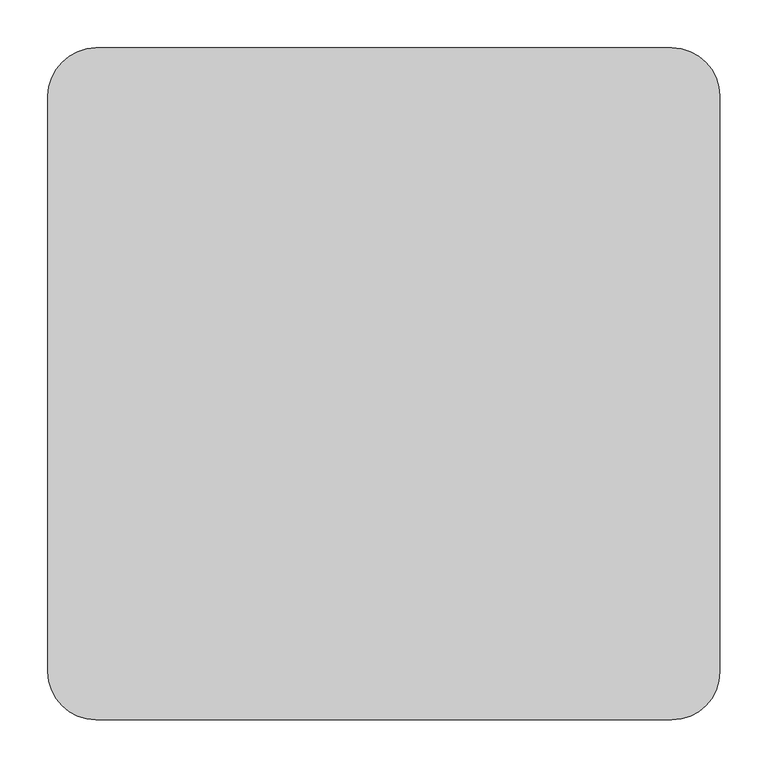
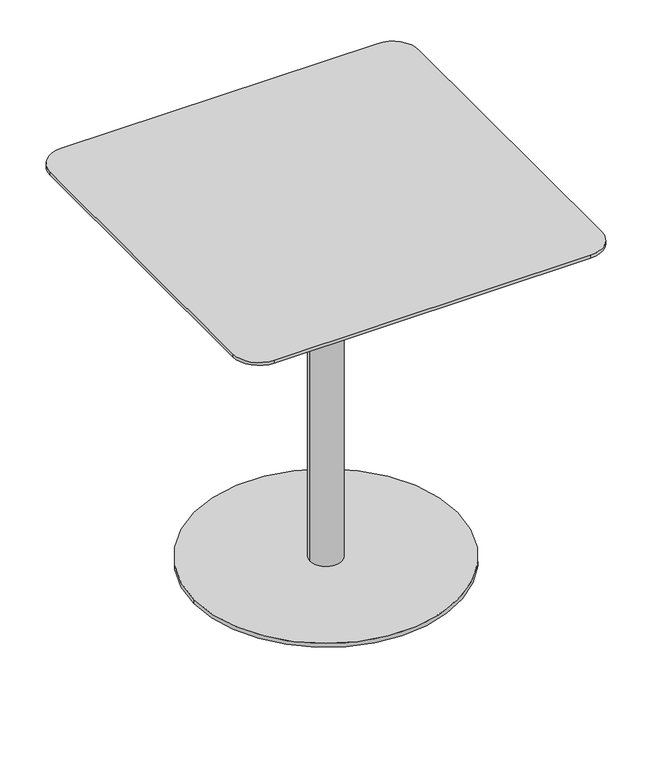
"""IFC4 building model written with IfcOpenShell, lengths in millimetres: furniture geometry."""

from ifc_helpers import new_model, si_unit, point, frame, frame_2d, origin, origin_with_axes, origin_2d, place, context, project, spatial, polyline, circle_curve, trimmed, segment, composite_curve, outline, extrude, source, transform, mapped, element, save


def furniture_e99254da(model_context):
    return source(origin(), model_context, "Body", "SweptSolid", [
        extrude(outline(composite_curve([segment(trimmed(circle_curve(frame_2d((-182.7252773, -105.5634299)), 19.0), [point((-201.7252773, -105.5634299))], [point((-163.7252773, -105.5634299))], False, "CARTESIAN"), True, "CONTINUOUS"), segment(trimmed(circle_curve(frame_2d((-182.7252773, -105.5634299)), 19.0), [point((-163.7252773, -105.5634299))], [point((-201.7252773, -105.5634299))], False, "CARTESIAN"), True, "CONTINUOUS")], self_intersect=False)), origin_with_axes(), (0.0, 0.0, 1.0), 12.0),
        extrude(outline(composite_curve([segment(trimmed(circle_curve(frame_2d((182.7252773, -105.5634299)), 19.0), [point((201.7252773, -105.5634299))], [point((163.7252773, -105.5634299))], False, "CARTESIAN"), True, "CONTINUOUS"), segment(trimmed(circle_curve(frame_2d((182.7252773, -105.5634299)), 19.0), [point((163.7252773, -105.5634299))], [point((201.7252773, -105.5634299))], False, "CARTESIAN"), True, "CONTINUOUS")], self_intersect=False)), origin_with_axes(), (0.0, 0.0, 1.0), 12.0),
        extrude(outline(composite_curve([segment(trimmed(circle_curve(frame_2d((0.0, 211.0)), 19.0), [point((19.0, 211.0))], [point((-19.0, 211.0))], False, "CARTESIAN"), True, "CONTINUOUS"), segment(trimmed(circle_curve(frame_2d((0.0, 211.0)), 19.0), [point((-19.0, 211.0))], [point((19.0, 211.0))], False, "CARTESIAN"), True, "CONTINUOUS")], self_intersect=False)), origin_with_axes(), (0.0, 0.0, 1.0), 12.0),
        extrude(outline(composite_curve([segment(trimmed(circle_curve(origin_2d(), 249.962756), [point((-249.962756, 0.0))], [point((249.962756, 0.0))], False, "CARTESIAN"), True, "CONTINUOUS"), segment(trimmed(circle_curve(origin_2d(), 249.962756), [point((249.962756, 0.0))], [point((-249.962756, 0.0))], False, "CARTESIAN"), True, "CONTINUOUS")], self_intersect=False)), frame((0.0, 0.0, 12.0), z_axis=(0.0, 0.0, 1.0), x_axis=(1.0, 0.0, 0.0)), (0.0, 0.0, 1.0), 7.85),
        extrude(outline(composite_curve([segment(trimmed(circle_curve(origin_2d(), 30.15), [point((-30.15, 0.0))], [point((30.15, 0.0))], False, "CARTESIAN"), True, "CONTINUOUS"), segment(trimmed(circle_curve(origin_2d(), 30.15), [point((30.15, 0.0))], [point((-30.15, 0.0))], False, "CARTESIAN"), True, "CONTINUOUS")], self_intersect=False)), frame((0.0, 0.0, 19.85), z_axis=(0.0, 0.0, 1.0), x_axis=(1.0, 0.0, 0.0)), (0.0, 0.0, 1.0), 704.0),
        extrude(outline(composite_curve([segment(trimmed(circle_curve(frame_2d((-300.0, 300.0)), 50.0), [point((-350.0, 300.0))], [point((-300.0, 350.0))], False, "CARTESIAN"), True, "CONTINUOUS"), segment(polyline([(-300.0, 350.0), (300.0, 350.0)]), True, "CONTINUOUS"), segment(trimmed(circle_curve(frame_2d((300.0, 300.0)), 50.0), [point((300.0, 350.0))], [point((350.0, 300.0))], False, "CARTESIAN"), True, "CONTINUOUS"), segment(polyline([(350.0, 300.0), (350.0, -300.0)]), True, "CONTINUOUS"), segment(trimmed(circle_curve(frame_2d((300.0, -300.0)), 50.0), [point((350.0, -300.0))], [point((300.0, -350.0))], False, "CARTESIAN"), True, "CONTINUOUS"), segment(polyline([(300.0, -350.0), (-300.0, -350.0)]), True, "CONTINUOUS"), segment(trimmed(circle_curve(frame_2d((-300.0, -300.0)), 50.0), [point((-300.0, -350.0))], [point((-350.0, -300.0))], False, "CARTESIAN"), True, "CONTINUOUS"), segment(polyline([(-350.0, -300.0), (-350.0, 300.0)]), True, "CONTINUOUS")], self_intersect=False)), frame((0.0, 0.0, 723.85), z_axis=(0.0, 0.0, 1.0), x_axis=(1.0, 0.0, 0.0)), (0.0, 0.0, 1.0), 5.86),
    ])


if __name__ == "__main__":
    model = new_model("IFC4")
    model_context = context("Model", 3, world=origin())
    ifc_project = project(units=[si_unit("LENGTHUNIT", "METRE", prefix="MILLI")], contexts=[model_context])
    site = spatial("IfcSite", under=ifc_project)
    building = spatial("IfcBuilding", under=site)
    placement = place(None, origin())
    furniture_shape = furniture_e99254da(model_context)
    element("IfcFurniture", 1, at=placement, inside=building, context=model_context, shape_type="MappedRepresentation", body=[
        mapped(furniture_shape, transform((0.0, 0.0, 0.0), x_axis=(1.0, 0.0, 0.0), y_axis=(0.0, 1.0, 0.0), z_axis=(0.0, 0.0, 1.0))),
    ])
    save(model, "model.ifc")
